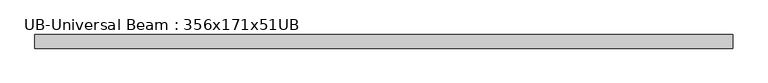
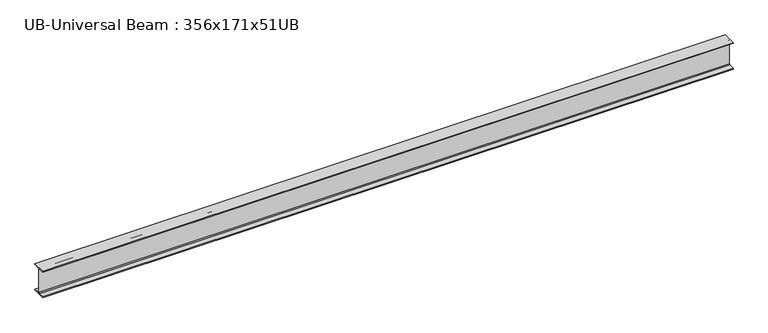
"""IFC4 building model written with IfcOpenShell, lengths in millimetres: beam geometry, UB-Universal Beam : 356x171x51UB."""

import ifcopenshell
import ifcopenshell.guid

model = None  # the IFC model being written
_history = None  # IfcOwnerHistory: only IFC2X3 demands one
_inside = {}  # id of a spatial element -> (the spatial element, [elements in it])
_under = {}  # id of a project, library or spatial element -> (it, [spatial elements below it])
_declared = {}  # id of a project -> (the project, [libraries it declares])
_typed = {}  # id of a type object -> (the type object, [elements of that type])
_made_of = {}  # id of a material, layer set ... -> (it, [elements and type objects made of it])


def new_model(schema):
    """Start an empty IFC model of exactly this schema.

    Asked for "IFC4X3", IfcOpenShell would pick the latest addendum, in which some entities
    have other attributes; the version numbers below select the first issue.
    IFC2X3 requires an IfcOwnerHistory on every rooted entity: one is made here for all.
    """
    global model, _history
    if schema == "IFC4X3":
        model = ifcopenshell.file(schema_version=(4, 3, 0, 0))
    else:
        model = ifcopenshell.file(schema=schema)
    _inside.clear()
    _under.clear()
    _declared.clear()
    _typed.clear()
    _made_of.clear()
    _history = None
    if model.schema == "IFC2X3":
        org = make("IfcOrganization", Name="unknown")
        user = make(
            "IfcPersonAndOrganization",
            ThePerson=make("IfcPerson", FamilyName="unknown"),
            TheOrganization=org,
        )
        app = make(
            "IfcApplication",
            ApplicationDeveloper=org,
            Version="unknown",
            ApplicationFullName="unknown",
            ApplicationIdentifier="unknown",
        )
        _history = make(
            "IfcOwnerHistory",
            OwningUser=user,
            OwningApplication=app,
            ChangeAction="ADDED",
            CreationDate=0,
        )
    return model


def make(cls, **values):
    """One entity of the class cls with the attributes given. An attribute that is None is left unset."""
    return model.create_entity(
        cls, **{name: value for name, value in values.items() if value is not None}
    )


def rooted(cls, **values):
    """An entity with a GlobalId (a new one), such as an element, a storey or a relation."""
    return make(cls, GlobalId=ifcopenshell.guid.new(), OwnerHistory=_history, **values)


def si_unit(unit_type, name, prefix=None):
    """IfcSIUnit, for example si_unit("LENGTHUNIT", "METRE", prefix="MILLI")."""
    return make("IfcSIUnit", UnitType=unit_type, Prefix=prefix, Name=name)


def assignment(units):
    """IfcUnitAssignment: the units of a project."""
    return None if units is None else make("IfcUnitAssignment", Units=units)


def point(xyz):
    """IfcCartesianPoint."""
    return None if xyz is None else make("IfcCartesianPoint", Coordinates=xyz)


def direction(xyz):
    """IfcDirection."""
    return None if xyz is None else make("IfcDirection", DirectionRatios=xyz)


def frame(location, z_axis=None, x_axis=None):
    """IfcAxis2Placement3D, a coordinate frame: its origin and axes. An axis left out is left unset."""
    return make(
        "IfcAxis2Placement3D",
        Location=point(location),
        Axis=direction(z_axis),
        RefDirection=direction(x_axis),
    )


def frame_2d(location, x_axis=None):
    """IfcAxis2Placement2D, a coordinate frame in the plane: its origin and x axis."""
    return make(
        "IfcAxis2Placement2D", Location=point(location), RefDirection=direction(x_axis)
    )


def origin():
    """The frame at (0, 0, 0) with its axes left unset."""
    return frame((0.0, 0.0, 0.0))


def place(relative_to, where):
    """IfcLocalPlacement: puts the frame where relative to a parent placement (None: the world)."""
    return make(
        "IfcLocalPlacement", PlacementRelTo=relative_to, RelativePlacement=where
    )


def context(
    kind, dimensions, precision=None, world=None, true_north=None, identifier=None
):
    """IfcGeometricRepresentationContext, for example the 3D "Model" context."""
    return make(
        "IfcGeometricRepresentationContext",
        ContextIdentifier=identifier,
        ContextType=kind,
        CoordinateSpaceDimension=dimensions,
        Precision=precision,
        WorldCoordinateSystem=world,
        TrueNorth=true_north,
    )


def project(units=None, contexts=None):
    """IfcProject with its units and contexts."""
    return rooted(
        "IfcProject",
        Name="project",
        RepresentationContexts=contexts,
        UnitsInContext=assignment(units),
    )


def spatial(cls, under=None, at=None, **own):
    """A site, building, storey or space (cls), placed at a placement, below another one or the project."""
    s = rooted(cls, ObjectPlacement=at, **own)
    if under is not None:
        _under.setdefault(under.id(), (under, []))[1].append(s)
    return s


def polyline(points):
    """IfcPolyline through the points."""
    return make("IfcPolyline", Points=[point(p) for p in points])


def circle_curve(where, radius):
    """IfcCircle in the frame where."""
    return make("IfcCircle", Position=where, Radius=radius)


def trimmed(basis, trim1, trim2, sense, master):
    """IfcTrimmedCurve: the piece of a basis curve between two trims."""
    return make(
        "IfcTrimmedCurve",
        BasisCurve=basis,
        Trim1=trim1,
        Trim2=trim2,
        SenseAgreement=sense,
        MasterRepresentation=master,
    )


def segment(curve, same_sense, transition):
    """IfcCompositeCurveSegment."""
    return make(
        "IfcCompositeCurveSegment",
        Transition=transition,
        SameSense=same_sense,
        ParentCurve=curve,
    )


def composite_curve(segments, self_intersect=None):
    """IfcCompositeCurve: segments joined end to end."""
    return make("IfcCompositeCurve", Segments=segments, SelfIntersect=self_intersect)


def outline(outer, holes=None, kind="AREA"):
    """IfcArbitraryClosedProfileDef: a profile drawn as a closed curve; with holes, ...WithVoids."""
    if holes is None:
        return make("IfcArbitraryClosedProfileDef", ProfileType=kind, OuterCurve=outer)
    return make(
        "IfcArbitraryProfileDefWithVoids",
        ProfileType=kind,
        OuterCurve=outer,
        InnerCurves=holes,
    )


def extrude(swept, where, along, depth):
    """IfcExtrudedAreaSolid: the profile swept, set in the frame where, extruded along a direction by depth."""
    return make(
        "IfcExtrudedAreaSolid",
        SweptArea=swept,
        Position=where,
        ExtrudedDirection=direction(along),
        Depth=depth,
    )


def shape(context_of_items, identifier, shape_type, items):
    """IfcShapeRepresentation: the items that make up one representation, for example the "Body"."""
    return make(
        "IfcShapeRepresentation",
        ContextOfItems=context_of_items,
        RepresentationIdentifier=identifier,
        RepresentationType=shape_type,
        Items=items,
    )


def source(mapping_origin, context_of_items, identifier, shape_type, items):
    """IfcRepresentationMap: a shape defined once, which mapped items show again and again."""
    return make(
        "IfcRepresentationMap",
        MappingOrigin=mapping_origin,
        MappedRepresentation=shape(context_of_items, identifier, shape_type, items),
    )


def transform(
    local_origin,
    x_axis=None,
    y_axis=None,
    z_axis=None,
    scale=None,
    scale2=None,
    scale3=None,
    uniform=True,
):
    """IfcCartesianTransformationOperator3D, or its non-uniform kind. x_axis, y_axis, z_axis: its Axis1, 2, 3."""
    if uniform:
        return make(
            "IfcCartesianTransformationOperator3D",
            Axis1=direction(x_axis),
            Axis2=direction(y_axis),
            LocalOrigin=point(local_origin),
            Scale=scale,
            Axis3=direction(z_axis),
        )
    return make(
        "IfcCartesianTransformationOperator3DnonUniform",
        Axis1=direction(x_axis),
        Axis2=direction(y_axis),
        LocalOrigin=point(local_origin),
        Scale=scale,
        Axis3=direction(z_axis),
        Scale2=scale2,
        Scale3=scale3,
    )


def mapped(mapping_source, mapping_target):
    """IfcMappedItem: shows the shape of a source again, moved by a transform."""
    return make(
        "IfcMappedItem", MappingSource=mapping_source, MappingTarget=mapping_target
    )


def made_of(thing, what):
    """Note that an element or type object is made of a material, layer set ...; save() writes the relation."""
    if what is not None:
        _made_of.setdefault(what.id(), (what, []))[1].append(thing)
    return thing


def element(
    cls,
    number,
    at=None,
    inside=None,
    cuts=None,
    type_object=None,
    material=None,
    context=None,
    identifier="Body",
    shape_type=None,
    held_by="IfcProductDefinitionShape",
    body=None,
    shapes=None,
    **own,
):
    """One element of the class cls, such as IfcWall. Its Tag is "e" and its number.

    at: its placement. inside: the storey or other place that contains it. cuts: it is an
    opening in that element (IfcRelVoidsElement). A single representation is given by context,
    identifier, shape_type and body (its items); several are given by shapes. held_by: the class
    of the entity that holds the representations. save() writes the other relations.
    """
    e = rooted(cls, Tag="e%d" % number, ObjectPlacement=at, **own)
    if body is not None:
        shapes = [shape(context, identifier, shape_type, body)]
    if shapes is not None:
        e.Representation = make(held_by, Representations=shapes)
    if inside is not None:
        _inside.setdefault(inside.id(), (inside, []))[1].append(e)
    if cuts is not None:
        rooted(
            "IfcRelVoidsElement", RelatingBuildingElement=cuts, RelatedOpeningElement=e
        )
    if type_object is not None:
        _typed.setdefault(type_object.id(), (type_object, []))[1].append(e)
    return made_of(e, material)


def aggregate(whole, parts):
    """IfcRelAggregates: a whole, such as a stair, and the parts it consists of."""
    return rooted("IfcRelAggregates", RelatingObject=whole, RelatedObjects=parts)


def save(model, path):
    """Write the relations noted so far, then the file.

    IfcRelAggregates (storeys below a building ...), IfcRelContainedInSpatialStructure (elements
    in a storey), IfcRelDefinesByType, IfcRelAssociatesMaterial and IfcRelDeclares: one each for
    every whole, place, type object, material and project.
    """
    for whole, parts in _under.values():
        aggregate(whole, parts)
    for where, things in _inside.values():
        rooted(
            "IfcRelContainedInSpatialStructure",
            RelatedElements=things,
            RelatingStructure=where,
        )
    for kind, things in _typed.values():
        rooted("IfcRelDefinesByType", RelatedObjects=things, RelatingType=kind)
    for what, things in _made_of.values():
        rooted("IfcRelAssociatesMaterial", RelatedObjects=things, RelatingMaterial=what)
    for by, libraries in _declared.values():
        rooted("IfcRelDeclares", RelatingContext=by, RelatedDefinitions=libraries)
    model.write(path)


def ub_universal_beam_356x171x51ub_a4a57a24(model_context):
    return source(origin(), model_context, "Body", "SweptSolid", [
        extrude(outline(composite_curve([segment(polyline([(85.75, -166.0), (85.75, -177.5), (-85.75, -177.5), (-85.75, -166.0), (-13.9, -166.0)]), True, "CONTINUOUS"), segment(trimmed(circle_curve(frame_2d((-13.9, -155.8)), 10.2), [point((-13.9, -166.0))], [point((-3.7, -155.8))], True, "CARTESIAN"), True, "CONTINUOUS"), segment(polyline([(-3.7, -155.8), (-3.7, 155.8)]), True, "CONTINUOUS"), segment(trimmed(circle_curve(frame_2d((-13.9, 155.8)), 10.2), [point((-3.7, 155.8))], [point((-13.9, 166.0))], True, "CARTESIAN"), True, "CONTINUOUS"), segment(polyline([(-13.9, 166.0), (-85.75, 166.0), (-85.75, 177.5), (85.75, 177.5), (85.75, 166.0), (13.9, 166.0)]), True, "CONTINUOUS"), segment(trimmed(circle_curve(frame_2d((13.9, 155.8)), 10.2), [point((13.9, 166.0))], [point((3.7, 155.8))], True, "CARTESIAN"), True, "CONTINUOUS"), segment(polyline([(3.7, 155.8), (3.7, -155.8)]), True, "CONTINUOUS"), segment(trimmed(circle_curve(frame_2d((13.9, -155.8)), 10.2), [point((3.7, -155.8))], [point((13.9, -166.0))], True, "CARTESIAN"), True, "CONTINUOUS"), segment(polyline([(13.9, -166.0), (85.75, -166.0)]), True, "CONTINUOUS")], self_intersect=False)), frame((-4392.3, 0.0, 0.0), z_axis=(1.0, 0.0, 0.0), x_axis=(0.0, 1.0, 0.0)), (0.0, 0.0, 1.0), 8784.6),
    ])


if __name__ == "__main__":
    model = new_model("IFC4")
    model_context = context("Model", 3, world=origin())
    ifc_project = project(units=[si_unit("LENGTHUNIT", "METRE", prefix="MILLI")], contexts=[model_context])
    site = spatial("IfcSite", under=ifc_project)
    building = spatial("IfcBuilding", under=site)
    placement = place(None, origin())
    ub_universal_beam_356x171x51ub_shape = ub_universal_beam_356x171x51ub_a4a57a24(model_context)
    element("IfcBeam", 1, ObjectType="UB-Universal Beam : 356x171x51UB", at=placement, inside=building, context=model_context, shape_type="MappedRepresentation", body=[
        mapped(ub_universal_beam_356x171x51ub_shape, transform((0.0, 0.0, 0.0), x_axis=(1.0, 0.0, 0.0), y_axis=(0.0, 1.0, 0.0), z_axis=(0.0, 0.0, 1.0))),
    ])
    save(model, "model.ifc")
